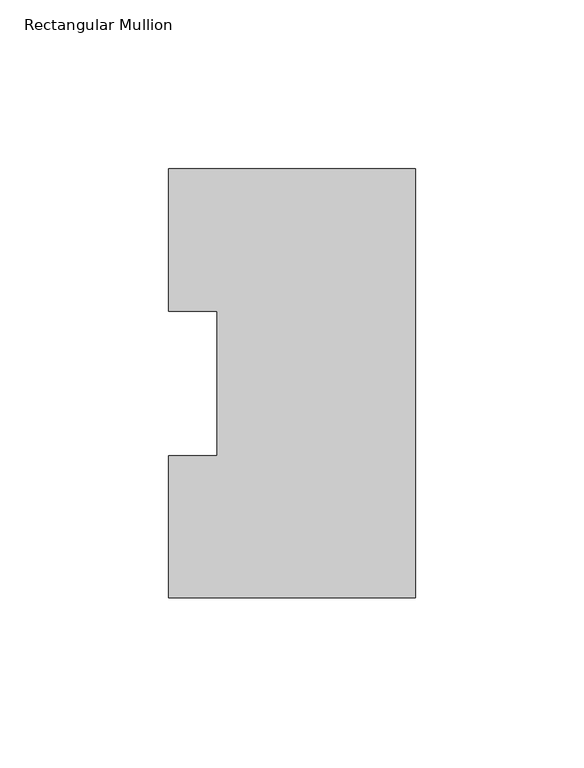
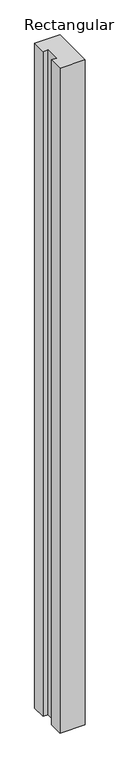
"""IFC4 building model written with IfcOpenShell, lengths in millimetres: member geometry, Rectangular Mullion."""

from ifc_helpers import new_model, si_unit, frame, origin, place, context, project, spatial, polyline, outline, extrude, source, transform, mapped, element, save


def rectangular_mullion_22d3386c(model_context):
    return source(origin(), model_context, "Body", "SweptSolid", [
        extrude(outline(polyline([(-73.025, 126.7086938), (0.0, 126.7086938), (0.0, -0.2913062), (-73.025, -0.2913062), (-73.025, 41.7837938), (-58.7375, 41.7837938), (-58.7375, 84.6335938), (-73.025, 84.6335938), (-73.025, 126.7086938)])), frame((0.0, 0.0, -2044.7177772), z_axis=(0.0, 0.0, 1.0), x_axis=(1.0, 0.0, 0.0)), (0.0, 0.0, 1.0), 2044.7177772),
    ])


if __name__ == "__main__":
    model = new_model("IFC4")
    model_context = context("Model", 3, world=origin())
    ifc_project = project(units=[si_unit("LENGTHUNIT", "METRE", prefix="MILLI")], contexts=[model_context])
    site = spatial("IfcSite", under=ifc_project)
    building = spatial("IfcBuilding", under=site)
    placement = place(None, origin())
    rectangular_mullion_shape = rectangular_mullion_22d3386c(model_context)
    element("IfcMember", 1, ObjectType="Rectangular Mullion", at=placement, inside=building, context=model_context, shape_type="MappedRepresentation", body=[
        mapped(rectangular_mullion_shape, transform((0.0, 0.0, 0.0), x_axis=(1.0, 0.0, 0.0), y_axis=(0.0, 1.0, 0.0), z_axis=(0.0, 0.0, 1.0))),
    ])
    save(model, "model.ifc")
